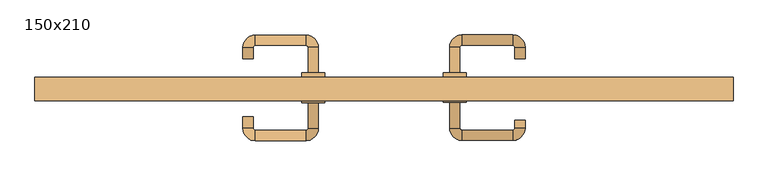
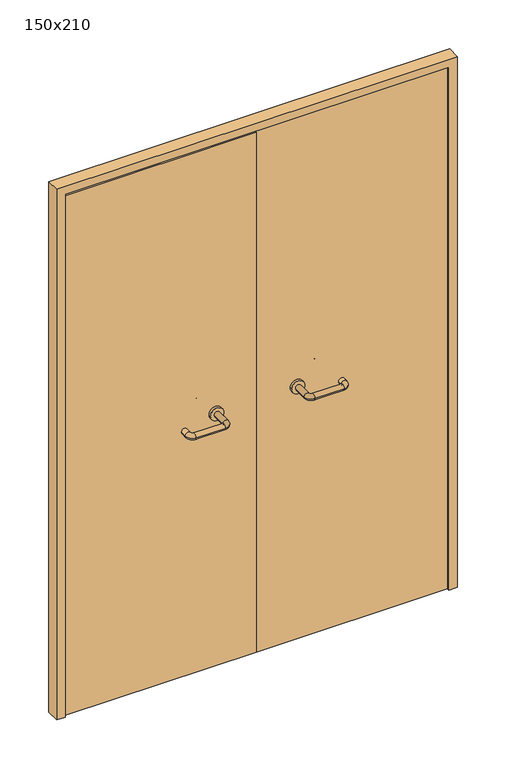
"""IFC4 building model written with IfcOpenShell, lengths in millimetres: door geometry, 150x210."""

from ifc_helpers import new_model, si_unit, point, frame, frame_2d, origin, place, context, project, spatial, polyline, circle_curve, ellipse_curve, trimmed, segment, composite_curve, outline, extrude, source, transform, mapped, element, save
from ifc_brep_helpers import plane_surface, cylinder_surface, revolved_surface, advanced_brep


def door_150x210_9ecd7698(model_context):
    return source(origin(), model_context, "Body", "SolidModel", [
        extrude(outline(polyline([(2100.0, -750.0), (0.0, -750.0), (0.0, -718.0), (2068.0, -718.0), (2068.0, 718.0), (0.0, 718.0), (0.0, 750.0), (2100.0, 750.0), (2100.0, -750.0)])), frame((0.0, 100.0, 0.0), z_axis=(0.0, 1.0, 0.0), x_axis=(0.0, 0.0, 1.0)), (0.0, 0.0, 1.0), 50.0),
        advanced_brep(
        [(140.99898, 96.0, 1003.0), (162.99898, 96.0, 1003.0), (140.99898, 40.6474631, 1003.0), (162.99898, 40.6474631, 1003.0), (166.99898, 36.6474631, 1003.0), (166.99898, 14.6474631, 1003.0), (276.99898, 14.6474631, 1003.0), (276.99898, 36.6474631, 1003.0), (280.99898, 40.6474631, 1003.0), (302.99898, 40.6474631, 1003.0), (302.99898, 58.0, 1003.0), (280.99898, 58.0, 1003.0)],
        [
            (0, 1, circle_curve(frame((151.99898, 96.0, 1003.0), z_axis=(0.0, 1.0, 0.0), x_axis=(1.0, 0.0, 0.0)), 11.0)),
            (1, 0, circle_curve(frame((151.99898, 96.0, 1003.0), z_axis=(0.0, 1.0, 0.0), x_axis=(1.0, 0.0, 0.0)), 11.0)),
            (0, 2),
            (2, 3, circle_curve(frame((151.99898, 40.6474631, 1003.0), z_axis=(0.0, 1.0, 0.0), x_axis=(1.0, 0.0, 0.0)), 11.0)),
            (3, 1),
            (3, 2, circle_curve(frame((151.99898, 40.6474631, 1003.0), z_axis=(0.0, 1.0, 0.0), x_axis=(1.0, 0.0, 0.0)), 11.0)),
            (4, 3, circle_curve(frame((166.99898, 40.6474631, 1003.0), z_axis=(0.0, 0.0, -1.0), x_axis=(-1.0, 0.0, 0.0)), 4.0)),
            (2, 5, circle_curve(frame((166.99898, 40.6474631, 1003.0), z_axis=(0.0, 0.0, 1.0), x_axis=(-1.0, 0.0, 0.0)), 26.0)),
            (5, 4, circle_curve(frame((166.99898, 25.6474631, 1003.0), z_axis=(-1.0, 0.0, 0.0), x_axis=(0.0, 1.0, 0.0)), 11.0)),
            (4, 5, circle_curve(frame((166.99898, 25.6474631, 1003.0), z_axis=(-1.0, 0.0, 0.0), x_axis=(0.0, 1.0, 0.0)), 11.0)),
            (5, 6),
            (6, 7, circle_curve(frame((276.99898, 25.6474631, 1003.0), z_axis=(-1.0, 0.0, 0.0), x_axis=(0.0, 1.0, 0.0)), 11.0)),
            (7, 4),
            (7, 6, circle_curve(frame((276.99898, 25.6474631, 1003.0), z_axis=(-1.0, 0.0, 0.0), x_axis=(0.0, 1.0, 0.0)), 11.0)),
            (8, 7, circle_curve(frame((276.99898, 40.6474631, 1003.0), z_axis=(0.0, 0.0, -1.0), x_axis=(0.0, -1.0, 0.0)), 4.0)),
            (6, 9, circle_curve(frame((276.99898, 40.6474631, 1003.0), z_axis=(0.0, 0.0, 1.0), x_axis=(0.0, -1.0, 0.0)), 26.0)),
            (9, 8, circle_curve(frame((291.99898, 40.6474631, 1003.0), z_axis=(0.0, -1.0, 0.0), x_axis=(-1.0, 0.0, 0.0)), 11.0)),
            (8, 9, circle_curve(frame((291.99898, 40.6474631, 1003.0), z_axis=(0.0, -1.0, 0.0), x_axis=(-1.0, 0.0, 0.0)), 11.0)),
            (10, 11, circle_curve(frame((291.99898, 58.0, 1003.0), z_axis=(0.0, 1.0, 0.0), x_axis=(-1.0, 0.0, 0.0)), 11.0)),
            (11, 10, circle_curve(frame((291.99898, 58.0, 1003.0), z_axis=(0.0, 1.0, 0.0), x_axis=(-1.0, 0.0, 0.0)), 11.0)),
            (9, 10),
            (11, 8),
        ],
        [
            plane_surface(frame((140.99898, 96.0, 1003.0), z_axis=(0.0, 1.0, 0.0), x_axis=(0.0, 0.0, -1.0))),
            cylinder_surface(frame((151.99898, 96.0, 1003.0), z_axis=(0.0, 1.0, 0.0), x_axis=(1.0, 0.0, 0.0)), 11.0),
            revolved_surface(trimmed(ellipse_curve(frame((151.99898, 40.6474631, 1003.0), z_axis=(0.0, 1.0, 0.0), x_axis=(1.0, 0.0, 0.0)), 11.0, 11.0), [point((140.99898, 40.6474631, 1003.0))], [point((162.99898, 40.6474631, 1003.0))], True, "CARTESIAN"), (166.99898, 40.6474631, 1003.0), (0.0, 0.0, 1.0)),
            revolved_surface(trimmed(ellipse_curve(frame((151.99898, 40.6474631, 1003.0), z_axis=(0.0, 1.0, 0.0), x_axis=(1.0, 0.0, 0.0)), 11.0, 11.0), [point((162.99898, 40.6474631, 1003.0))], [point((140.99898, 40.6474631, 1003.0))], True, "CARTESIAN"), (166.99898, 40.6474631, 1003.0), (0.0, 0.0, 1.0)),
            cylinder_surface(frame((166.99898, 25.6474631, 1003.0), z_axis=(-1.0, 0.0, 0.0), x_axis=(0.0, 1.0, 0.0)), 11.0),
            revolved_surface(trimmed(ellipse_curve(frame((276.99898, 25.6474631, 1003.0), z_axis=(-1.0, 0.0, 0.0), x_axis=(0.0, 1.0, 0.0)), 11.0, 11.0), [point((276.99898, 14.6474631, 1003.0))], [point((276.99898, 36.6474631, 1003.0))], True, "CARTESIAN"), (276.99898, 40.6474631, 1003.0), (0.0, 0.0, 1.0)),
            revolved_surface(trimmed(ellipse_curve(frame((276.99898, 25.6474631, 1003.0), z_axis=(-1.0, 0.0, 0.0), x_axis=(0.0, 1.0, 0.0)), 11.0, 11.0), [point((276.99898, 36.6474631, 1003.0))], [point((276.99898, 14.6474631, 1003.0))], True, "CARTESIAN"), (276.99898, 40.6474631, 1003.0), (0.0, 0.0, 1.0)),
            plane_surface(frame((280.99898, 58.0, 1003.0), z_axis=(0.0, 1.0, 0.0), x_axis=(0.0, 0.0, 1.0))),
            cylinder_surface(frame((291.99898, 40.6474631, 1003.0), z_axis=(0.0, -1.0, 0.0), x_axis=(-1.0, 0.0, 0.0)), 11.0),
        ],
        [
            (0, [[1, 2]]),
            (1, [[-1, 3, 4, 5]]),
            (1, [[-2, -5, 6, -3]]),
            (2, [[7, -4, 8, 9]]),
            (3, [[-8, -6, -7, 10]]),
            (4, [[-9, 11, 12, 13]]),
            (4, [[-10, -13, 14, -11]]),
            (5, [[15, -12, 16, 17]]),
            (6, [[-16, -14, -15, 18]]),
            (7, [[19, 20]]),
            (8, [[-17, 21, -20, 22]]),
            (8, [[-18, -22, -19, -21]]),
        ],
    ),
        extrude(outline(composite_curve([segment(trimmed(circle_curve(frame_2d((1003.0, 151.99898)), 25.0), [point((1003.0, 126.99898))], [point((1003.0, 176.99898))], False, "CARTESIAN"), True, "CONTINUOUS"), segment(trimmed(circle_curve(frame_2d((1003.0, 151.99898)), 25.0), [point((1003.0, 176.99898))], [point((1003.0, 126.99898))], False, "CARTESIAN"), True, "CONTINUOUS")], self_intersect=False)), frame((0.0, 96.0, 0.0), z_axis=(0.0, 1.0, 0.0), x_axis=(0.0, 0.0, 1.0)), (0.0, 0.0, 1.0), 10.0),
        advanced_brep(
        [(162.99898, 160.0, 1003.0), (140.99898, 160.0, 1003.0), (162.99898, 215.0, 1003.0), (140.99898, 215.0, 1003.0), (166.99898, 241.0, 1003.0), (166.99898, 219.0, 1003.0), (276.99898, 219.0, 1003.0), (276.99898, 241.0, 1003.0), (302.99898, 215.0, 1003.0), (280.99898, 215.0, 1003.0), (280.99898, 190.0, 1003.0), (302.99898, 190.0, 1003.0)],
        [
            (0, 1, circle_curve(frame((151.99898, 160.0, 1003.0), z_axis=(0.0, -1.0, 0.0), x_axis=(-1.0, 0.0, 0.0)), 11.0)),
            (1, 0, circle_curve(frame((151.99898, 160.0, 1003.0), z_axis=(0.0, -1.0, 0.0), x_axis=(-1.0, 0.0, 0.0)), 11.0)),
            (0, 2),
            (2, 3, circle_curve(frame((151.99898, 215.0, 1003.0), z_axis=(0.0, -1.0, 0.0), x_axis=(-1.0, 0.0, 0.0)), 11.0)),
            (3, 1),
            (3, 2, circle_curve(frame((151.99898, 215.0, 1003.0), z_axis=(0.0, -1.0, 0.0), x_axis=(-1.0, 0.0, 0.0)), 11.0)),
            (4, 3, circle_curve(frame((166.99898, 215.0, 1003.0), z_axis=(0.0, 0.0, 1.0), x_axis=(-1.0, 0.0, 0.0)), 26.0)),
            (2, 5, circle_curve(frame((166.99898, 215.0, 1003.0), z_axis=(0.0, 0.0, -1.0), x_axis=(-1.0, 0.0, 0.0)), 4.0)),
            (5, 4, circle_curve(frame((166.99898, 230.0, 1003.0), z_axis=(-1.0, 0.0, 0.0), x_axis=(0.0, 1.0, 0.0)), 11.0)),
            (4, 5, circle_curve(frame((166.99898, 230.0, 1003.0), z_axis=(-1.0, 0.0, 0.0), x_axis=(0.0, 1.0, 0.0)), 11.0)),
            (5, 6),
            (6, 7, circle_curve(frame((276.99898, 230.0, 1003.0), z_axis=(-1.0, 0.0, 0.0), x_axis=(0.0, 1.0, 0.0)), 11.0)),
            (7, 4),
            (7, 6, circle_curve(frame((276.99898, 230.0, 1003.0), z_axis=(-1.0, 0.0, 0.0), x_axis=(0.0, 1.0, 0.0)), 11.0)),
            (8, 7, circle_curve(frame((276.99898, 215.0, 1003.0), z_axis=(0.0, 0.0, 1.0), x_axis=(0.0, 1.0, 0.0)), 26.0)),
            (6, 9, circle_curve(frame((276.99898, 215.0, 1003.0), z_axis=(0.0, 0.0, -1.0), x_axis=(0.0, 1.0, 0.0)), 4.0)),
            (9, 8, circle_curve(frame((291.99898, 215.0, 1003.0), z_axis=(0.0, 1.0, 0.0), x_axis=(1.0, 0.0, 0.0)), 11.0)),
            (8, 9, circle_curve(frame((291.99898, 215.0, 1003.0), z_axis=(0.0, 1.0, 0.0), x_axis=(1.0, 0.0, 0.0)), 11.0)),
            (10, 11, circle_curve(frame((291.99898, 190.0, 1003.0), z_axis=(0.0, -1.0, 0.0), x_axis=(1.0, 0.0, 0.0)), 11.0)),
            (11, 10, circle_curve(frame((291.99898, 190.0, 1003.0), z_axis=(0.0, -1.0, 0.0), x_axis=(1.0, 0.0, 0.0)), 11.0)),
            (9, 10),
            (11, 8),
        ],
        [
            plane_surface(frame((140.99898, 160.0, 1003.0), z_axis=(0.0, -1.0, 0.0), x_axis=(0.0, 0.0, 1.0))),
            cylinder_surface(frame((151.99898, 160.0, 1003.0), z_axis=(0.0, -1.0, 0.0), x_axis=(-1.0, 0.0, 0.0)), 11.0),
            revolved_surface(trimmed(ellipse_curve(frame((151.99898, 215.0, 1003.0), z_axis=(0.0, -1.0, 0.0), x_axis=(-1.0, 0.0, 0.0)), 11.0, 11.0), [point((162.99898, 215.0, 1003.0))], [point((140.99898, 215.0, 1003.0))], True, "CARTESIAN"), (166.99898, 215.0, 1003.0), (0.0, 0.0, -1.0)),
            revolved_surface(trimmed(ellipse_curve(frame((151.99898, 215.0, 1003.0), z_axis=(0.0, -1.0, 0.0), x_axis=(-1.0, 0.0, 0.0)), 11.0, 11.0), [point((140.99898, 215.0, 1003.0))], [point((162.99898, 215.0, 1003.0))], True, "CARTESIAN"), (166.99898, 215.0, 1003.0), (0.0, 0.0, -1.0)),
            cylinder_surface(frame((166.99898, 230.0, 1003.0), z_axis=(-1.0, 0.0, 0.0), x_axis=(0.0, 1.0, 0.0)), 11.0),
            revolved_surface(trimmed(ellipse_curve(frame((276.99898, 230.0, 1003.0), z_axis=(-1.0, 0.0, 0.0), x_axis=(0.0, 1.0, 0.0)), 11.0, 11.0), [point((276.99898, 219.0, 1003.0))], [point((276.99898, 241.0, 1003.0))], True, "CARTESIAN"), (276.99898, 215.0, 1003.0), (0.0, 0.0, -1.0)),
            revolved_surface(trimmed(ellipse_curve(frame((276.99898, 230.0, 1003.0), z_axis=(-1.0, 0.0, 0.0), x_axis=(0.0, 1.0, 0.0)), 11.0, 11.0), [point((276.99898, 241.0, 1003.0))], [point((276.99898, 219.0, 1003.0))], True, "CARTESIAN"), (276.99898, 215.0, 1003.0), (0.0, 0.0, -1.0)),
            plane_surface(frame((280.99898, 190.0, 1003.0), z_axis=(0.0, -1.0, 0.0), x_axis=(0.0, 0.0, -1.0))),
            cylinder_surface(frame((291.99898, 215.0, 1003.0), z_axis=(0.0, 1.0, 0.0), x_axis=(1.0, 0.0, 0.0)), 11.0),
        ],
        [
            (0, [[1, 2]]),
            (1, [[-1, 3, 4, 5]]),
            (1, [[-2, -5, 6, -3]]),
            (2, [[7, -4, 8, 9]]),
            (3, [[-8, -6, -7, 10]]),
            (4, [[-9, 11, 12, 13]]),
            (4, [[-10, -13, 14, -11]]),
            (5, [[15, -12, 16, 17]]),
            (6, [[-16, -14, -15, 18]]),
            (7, [[19, 20]]),
            (8, [[-17, 21, -20, 22]]),
            (8, [[-18, -22, -19, -21]]),
        ],
    ),
        extrude(outline(composite_curve([segment(trimmed(circle_curve(frame_2d((1003.0, 151.99898)), 25.0), [point((1003.0, 176.99898))], [point((1003.0, 126.99898))], False, "CARTESIAN"), True, "CONTINUOUS"), segment(trimmed(circle_curve(frame_2d((1003.0, 151.99898)), 25.0), [point((1003.0, 126.99898))], [point((1003.0, 176.99898))], False, "CARTESIAN"), True, "CONTINUOUS")], self_intersect=False)), frame((0.0, 150.0, 0.0), z_axis=(0.0, 1.0, 0.0), x_axis=(0.0, 0.0, 1.0)), (0.0, 0.0, 1.0), 10.0),
        advanced_brep(
        [(-162.99898, 95.6886121, 1003.0), (-140.99898, 95.6886121, 1003.0), (-162.99898, 40.2779553, 1003.0), (-140.99898, 40.2779553, 1003.0), (-166.99898, 14.2779553, 1003.0), (-166.99898, 36.2779553, 1003.0), (-276.99898, 36.2779553, 1003.0), (-276.99898, 14.2779553, 1003.0), (-302.99898, 40.2779553, 1003.0), (-280.99898, 40.2779553, 1003.0), (-280.99898, 65.2779553, 1003.0), (-302.99898, 65.2779553, 1003.0)],
        [
            (0, 1, circle_curve(frame((-151.99898, 95.6886121, 1003.0), z_axis=(0.0, 1.0, 0.0), x_axis=(1.0, 0.0, 0.0)), 11.0)),
            (1, 0, circle_curve(frame((-151.99898, 95.6886121, 1003.0), z_axis=(0.0, 1.0, 0.0), x_axis=(1.0, 0.0, 0.0)), 11.0)),
            (0, 2),
            (2, 3, circle_curve(frame((-151.99898, 40.2779553, 1003.0), z_axis=(0.0, 1.0, 0.0), x_axis=(1.0, 0.0, 0.0)), 11.0)),
            (3, 1),
            (3, 2, circle_curve(frame((-151.99898, 40.2779553, 1003.0), z_axis=(0.0, 1.0, 0.0), x_axis=(1.0, 0.0, 0.0)), 11.0)),
            (4, 3, circle_curve(frame((-166.99898, 40.2779553, 1003.0), z_axis=(0.0, 0.0, 1.0), x_axis=(1.0, 0.0, 0.0)), 26.0)),
            (2, 5, circle_curve(frame((-166.99898, 40.2779553, 1003.0), z_axis=(0.0, 0.0, -1.0), x_axis=(1.0, 0.0, 0.0)), 4.0)),
            (5, 4, circle_curve(frame((-166.99898, 25.2779553, 1003.0), z_axis=(1.0, 0.0, 0.0), x_axis=(0.0, -1.0, 0.0)), 11.0)),
            (4, 5, circle_curve(frame((-166.99898, 25.2779553, 1003.0), z_axis=(1.0, 0.0, 0.0), x_axis=(0.0, -1.0, 0.0)), 11.0)),
            (5, 6),
            (6, 7, circle_curve(frame((-276.99898, 25.2779553, 1003.0), z_axis=(1.0, 0.0, 0.0), x_axis=(0.0, -1.0, 0.0)), 11.0)),
            (7, 4),
            (7, 6, circle_curve(frame((-276.99898, 25.2779553, 1003.0), z_axis=(1.0, 0.0, 0.0), x_axis=(0.0, -1.0, 0.0)), 11.0)),
            (8, 7, circle_curve(frame((-276.99898, 40.2779553, 1003.0), z_axis=(0.0, 0.0, 1.0), x_axis=(0.0, -1.0, 0.0)), 26.0)),
            (6, 9, circle_curve(frame((-276.99898, 40.2779553, 1003.0), z_axis=(0.0, 0.0, -1.0), x_axis=(0.0, -1.0, 0.0)), 4.0)),
            (9, 8, circle_curve(frame((-291.99898, 40.2779553, 1003.0), z_axis=(0.0, -1.0, 0.0), x_axis=(-1.0, 0.0, 0.0)), 11.0)),
            (8, 9, circle_curve(frame((-291.99898, 40.2779553, 1003.0), z_axis=(0.0, -1.0, 0.0), x_axis=(-1.0, 0.0, 0.0)), 11.0)),
            (10, 11, circle_curve(frame((-291.99898, 65.2779553, 1003.0), z_axis=(0.0, 1.0, 0.0), x_axis=(-1.0, 0.0, 0.0)), 11.0)),
            (11, 10, circle_curve(frame((-291.99898, 65.2779553, 1003.0), z_axis=(0.0, 1.0, 0.0), x_axis=(-1.0, 0.0, 0.0)), 11.0)),
            (9, 10),
            (11, 8),
        ],
        [
            plane_surface(frame((-162.99898, 95.6886121, 1003.0), z_axis=(0.0, 1.0, 0.0), x_axis=(0.0, 0.0, -1.0))),
            cylinder_surface(frame((-151.99898, 95.6886121, 1003.0), z_axis=(0.0, 1.0, 0.0), x_axis=(1.0, 0.0, 0.0)), 11.0),
            revolved_surface(trimmed(ellipse_curve(frame((-151.99898, 40.2779553, 1003.0), z_axis=(0.0, 1.0, 0.0), x_axis=(1.0, 0.0, 0.0)), 11.0, 11.0), [point((-162.99898, 40.2779553, 1003.0))], [point((-140.99898, 40.2779553, 1003.0))], True, "CARTESIAN"), (-166.99898, 40.2779553, 1003.0), (0.0, 0.0, -1.0)),
            revolved_surface(trimmed(ellipse_curve(frame((-151.99898, 40.2779553, 1003.0), z_axis=(0.0, 1.0, 0.0), x_axis=(1.0, 0.0, 0.0)), 11.0, 11.0), [point((-140.99898, 40.2779553, 1003.0))], [point((-162.99898, 40.2779553, 1003.0))], True, "CARTESIAN"), (-166.99898, 40.2779553, 1003.0), (0.0, 0.0, -1.0)),
            cylinder_surface(frame((-166.99898, 25.2779553, 1003.0), z_axis=(1.0, 0.0, 0.0), x_axis=(0.0, -1.0, 0.0)), 11.0),
            revolved_surface(trimmed(ellipse_curve(frame((-276.99898, 25.2779553, 1003.0), z_axis=(1.0, 0.0, 0.0), x_axis=(0.0, -1.0, 0.0)), 11.0, 11.0), [point((-276.99898, 36.2779553, 1003.0))], [point((-276.99898, 14.2779553, 1003.0))], True, "CARTESIAN"), (-276.99898, 40.2779553, 1003.0), (0.0, 0.0, -1.0)),
            revolved_surface(trimmed(ellipse_curve(frame((-276.99898, 25.2779553, 1003.0), z_axis=(1.0, 0.0, 0.0), x_axis=(0.0, -1.0, 0.0)), 11.0, 11.0), [point((-276.99898, 14.2779553, 1003.0))], [point((-276.99898, 36.2779553, 1003.0))], True, "CARTESIAN"), (-276.99898, 40.2779553, 1003.0), (0.0, 0.0, -1.0)),
            plane_surface(frame((-302.99898, 65.2779553, 1003.0), z_axis=(0.0, 1.0, 0.0), x_axis=(0.0, 0.0, 1.0))),
            cylinder_surface(frame((-291.99898, 40.2779553, 1003.0), z_axis=(0.0, -1.0, 0.0), x_axis=(-1.0, 0.0, 0.0)), 11.0),
        ],
        [
            (0, [[1, 2]]),
            (1, [[-1, 3, 4, 5]]),
            (1, [[-2, -5, 6, -3]]),
            (2, [[7, -4, 8, 9]]),
            (3, [[-8, -6, -7, 10]]),
            (4, [[-9, 11, 12, 13]]),
            (4, [[-10, -13, 14, -11]]),
            (5, [[15, -12, 16, 17]]),
            (6, [[-16, -14, -15, 18]]),
            (7, [[19, 20]]),
            (8, [[-17, 21, -20, 22]]),
            (8, [[-18, -22, -19, -21]]),
        ],
    ),
        extrude(outline(composite_curve([segment(trimmed(circle_curve(frame_2d((1003.0, -151.99898)), 25.0), [point((1003.0, -176.99898))], [point((1003.0, -126.99898))], False, "CARTESIAN"), True, "CONTINUOUS"), segment(trimmed(circle_curve(frame_2d((1003.0, -151.99898)), 25.0), [point((1003.0, -126.99898))], [point((1003.0, -176.99898))], False, "CARTESIAN"), True, "CONTINUOUS")], self_intersect=False)), frame((0.0, 95.6886121, 0.0), z_axis=(0.0, 1.0, 0.0), x_axis=(0.0, 0.0, 1.0)), (0.0, 0.0, 1.0), 10.3113879),
        advanced_brep(
        [(-140.99898, 159.5143417, 1003.0), (-162.99898, 159.5143417, 1003.0), (-140.99898, 214.6104656, 1003.0), (-162.99898, 214.6104656, 1003.0), (-166.99898, 218.6104656, 1003.0), (-166.99898, 240.6104656, 1003.0), (-276.99898, 240.6104656, 1003.0), (-276.99898, 218.6104656, 1003.0), (-280.99898, 214.6104656, 1003.0), (-302.99898, 214.6104656, 1003.0), (-302.99898, 189.6104656, 1003.0), (-280.99898, 189.6104656, 1003.0)],
        [
            (0, 1, circle_curve(frame((-151.99898, 159.5143417, 1003.0), z_axis=(0.0, -1.0, 0.0), x_axis=(-1.0, 0.0, 0.0)), 11.0)),
            (1, 0, circle_curve(frame((-151.99898, 159.5143417, 1003.0), z_axis=(0.0, -1.0, 0.0), x_axis=(-1.0, 0.0, 0.0)), 11.0)),
            (0, 2),
            (2, 3, circle_curve(frame((-151.99898, 214.6104656, 1003.0), z_axis=(0.0, -1.0, 0.0), x_axis=(-1.0, 0.0, 0.0)), 11.0)),
            (3, 1),
            (3, 2, circle_curve(frame((-151.99898, 214.6104656, 1003.0), z_axis=(0.0, -1.0, 0.0), x_axis=(-1.0, 0.0, 0.0)), 11.0)),
            (4, 3, circle_curve(frame((-166.99898, 214.6104656, 1003.0), z_axis=(0.0, 0.0, -1.0), x_axis=(1.0, 0.0, 0.0)), 4.0)),
            (2, 5, circle_curve(frame((-166.99898, 214.6104656, 1003.0), z_axis=(0.0, 0.0, 1.0), x_axis=(1.0, 0.0, 0.0)), 26.0)),
            (5, 4, circle_curve(frame((-166.99898, 229.6104656, 1003.0), z_axis=(1.0, 0.0, 0.0), x_axis=(0.0, -1.0, 0.0)), 11.0)),
            (4, 5, circle_curve(frame((-166.99898, 229.6104656, 1003.0), z_axis=(1.0, 0.0, 0.0), x_axis=(0.0, -1.0, 0.0)), 11.0)),
            (5, 6),
            (6, 7, circle_curve(frame((-276.99898, 229.6104656, 1003.0), z_axis=(1.0, 0.0, 0.0), x_axis=(0.0, -1.0, 0.0)), 11.0)),
            (7, 4),
            (7, 6, circle_curve(frame((-276.99898, 229.6104656, 1003.0), z_axis=(1.0, 0.0, 0.0), x_axis=(0.0, -1.0, 0.0)), 11.0)),
            (8, 7, circle_curve(frame((-276.99898, 214.6104656, 1003.0), z_axis=(0.0, 0.0, -1.0), x_axis=(0.0, 1.0, 0.0)), 4.0)),
            (6, 9, circle_curve(frame((-276.99898, 214.6104656, 1003.0), z_axis=(0.0, 0.0, 1.0), x_axis=(0.0, 1.0, 0.0)), 26.0)),
            (9, 8, circle_curve(frame((-291.99898, 214.6104656, 1003.0), z_axis=(0.0, 1.0, 0.0), x_axis=(1.0, 0.0, 0.0)), 11.0)),
            (8, 9, circle_curve(frame((-291.99898, 214.6104656, 1003.0), z_axis=(0.0, 1.0, 0.0), x_axis=(1.0, 0.0, 0.0)), 11.0)),
            (10, 11, circle_curve(frame((-291.99898, 189.6104656, 1003.0), z_axis=(0.0, -1.0, 0.0), x_axis=(1.0, 0.0, 0.0)), 11.0)),
            (11, 10, circle_curve(frame((-291.99898, 189.6104656, 1003.0), z_axis=(0.0, -1.0, 0.0), x_axis=(1.0, 0.0, 0.0)), 11.0)),
            (9, 10),
            (11, 8),
        ],
        [
            plane_surface(frame((-162.99898, 159.5143417, 1003.0), z_axis=(0.0, -1.0, 0.0), x_axis=(0.0, 0.0, 1.0))),
            cylinder_surface(frame((-151.99898, 159.5143417, 1003.0), z_axis=(0.0, -1.0, 0.0), x_axis=(-1.0, 0.0, 0.0)), 11.0),
            revolved_surface(trimmed(ellipse_curve(frame((-151.99898, 214.6104656, 1003.0), z_axis=(0.0, -1.0, 0.0), x_axis=(-1.0, 0.0, 0.0)), 11.0, 11.0), [point((-140.99898, 214.6104656, 1003.0))], [point((-162.99898, 214.6104656, 1003.0))], True, "CARTESIAN"), (-166.99898, 214.6104656, 1003.0), (0.0, 0.0, 1.0)),
            revolved_surface(trimmed(ellipse_curve(frame((-151.99898, 214.6104656, 1003.0), z_axis=(0.0, -1.0, 0.0), x_axis=(-1.0, 0.0, 0.0)), 11.0, 11.0), [point((-162.99898, 214.6104656, 1003.0))], [point((-140.99898, 214.6104656, 1003.0))], True, "CARTESIAN"), (-166.99898, 214.6104656, 1003.0), (0.0, 0.0, 1.0)),
            cylinder_surface(frame((-166.99898, 229.6104656, 1003.0), z_axis=(1.0, 0.0, 0.0), x_axis=(0.0, -1.0, 0.0)), 11.0),
            revolved_surface(trimmed(ellipse_curve(frame((-276.99898, 229.6104656, 1003.0), z_axis=(1.0, 0.0, 0.0), x_axis=(0.0, -1.0, 0.0)), 11.0, 11.0), [point((-276.99898, 240.6104656, 1003.0))], [point((-276.99898, 218.6104656, 1003.0))], True, "CARTESIAN"), (-276.99898, 214.6104656, 1003.0), (0.0, 0.0, 1.0)),
            revolved_surface(trimmed(ellipse_curve(frame((-276.99898, 229.6104656, 1003.0), z_axis=(1.0, 0.0, 0.0), x_axis=(0.0, -1.0, 0.0)), 11.0, 11.0), [point((-276.99898, 218.6104656, 1003.0))], [point((-276.99898, 240.6104656, 1003.0))], True, "CARTESIAN"), (-276.99898, 214.6104656, 1003.0), (0.0, 0.0, 1.0)),
            plane_surface(frame((-302.99898, 189.6104656, 1003.0), z_axis=(0.0, -1.0, 0.0), x_axis=(0.0, 0.0, -1.0))),
            cylinder_surface(frame((-291.99898, 214.6104656, 1003.0), z_axis=(0.0, 1.0, 0.0), x_axis=(1.0, 0.0, 0.0)), 11.0),
        ],
        [
            (0, [[1, 2]]),
            (1, [[-1, 3, 4, 5]]),
            (1, [[-2, -5, 6, -3]]),
            (2, [[7, -4, 8, 9]]),
            (3, [[-8, -6, -7, 10]]),
            (4, [[-9, 11, 12, 13]]),
            (4, [[-10, -13, 14, -11]]),
            (5, [[15, -12, 16, 17]]),
            (6, [[-16, -14, -15, 18]]),
            (7, [[19, 20]]),
            (8, [[-17, 21, -20, 22]]),
            (8, [[-18, -22, -19, -21]]),
        ],
    ),
        extrude(outline(composite_curve([segment(trimmed(circle_curve(frame_2d((1003.0, -151.99898)), 25.0), [point((1003.0, -126.99898))], [point((1003.0, -176.99898))], False, "CARTESIAN"), True, "CONTINUOUS"), segment(trimmed(circle_curve(frame_2d((1003.0, -151.99898)), 25.0), [point((1003.0, -176.99898))], [point((1003.0, -126.99898))], False, "CARTESIAN"), True, "CONTINUOUS")], self_intersect=False)), frame((0.0, 150.0, 0.0), z_axis=(0.0, 1.0, 0.0), x_axis=(0.0, 0.0, 1.0)), (0.0, 0.0, 1.0), 9.5143417),
        extrude(outline(polyline([(1.0739506, 106.0), (-715.0, 106.0), (-715.0, 150.0), (1.0739506, 150.0), (1.0739506, 106.0)])), frame((0.0, 0.0, 1.753223), z_axis=(0.0, 0.0, 1.0), x_axis=(1.0, 0.0, 0.0)), (0.0, 0.0, 1.0), 2057.246777),
        extrude(outline(polyline([(715.0, 106.0), (1.0739506, 106.0), (1.0739506, 150.0), (715.0, 150.0), (715.0, 106.0)])), frame((0.0, 0.0, 1.753223), z_axis=(0.0, 0.0, 1.0), x_axis=(1.0, 0.0, 0.0)), (0.0, 0.0, 1.0), 2066.246777),
    ])


if __name__ == "__main__":
    model = new_model("IFC4")
    model_context = context("Model", 3, world=origin())
    ifc_project = project(units=[si_unit("LENGTHUNIT", "METRE", prefix="MILLI")], contexts=[model_context])
    site = spatial("IfcSite", under=ifc_project)
    building = spatial("IfcBuilding", under=site)
    placement = place(None, origin())
    door_150x210_shape = door_150x210_9ecd7698(model_context)
    element("IfcDoor", 1, ObjectType="150x210", at=placement, inside=building, context=model_context, shape_type="MappedRepresentation", body=[
        mapped(door_150x210_shape, transform((0.0, 0.0, 0.0), x_axis=(1.0, 0.0, 0.0), y_axis=(0.0, 1.0, 0.0), z_axis=(0.0, 0.0, 1.0))),
    ])
    save(model, "model.ifc")
